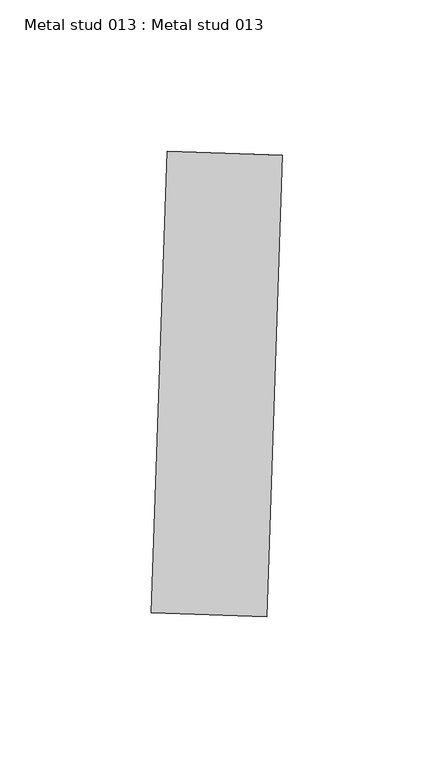
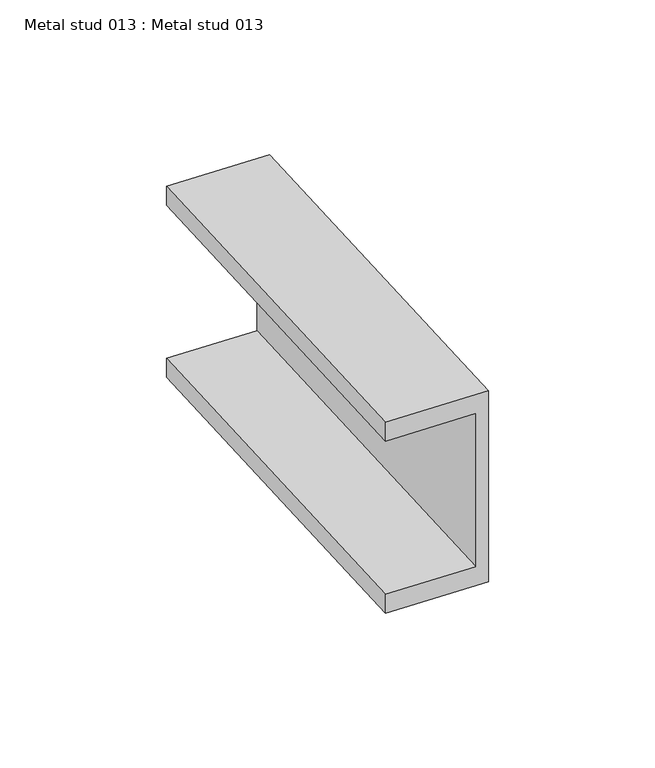
"""IFC4 building model written with IfcOpenShell, lengths in millimetres: proxy geometry, Metal stud 013 : Metal stud 013."""

from ifc_helpers import new_model, si_unit, frame, origin, place, context, project, spatial, polyline, outline, extrude, source, transform, mapped, element, save


def metal_stud_013_metal_stud_013_ba6aac82(model_context):
    return source(origin(), model_context, "Body", "SweptSolid", [
        extrude(outline(polyline([(0.0, 0.0), (0.0, -76.2), (-38.1, -76.2), (-38.1, -68.7), (-4.4999999, -68.7), (-4.4999999, -7.5), (-38.1, -7.5), (-38.1, 0.0), (0.0, 0.0)])), frame((34092.3777319, -15062.9787712, 4025.9), z_axis=(0.034201781836546805, 0.9994149479166325, 0.0), x_axis=(0.9994149479166325, -0.034201781836546805, 0.0)), (0.0, 0.0, 1.0), 152.4),
    ])


if __name__ == "__main__":
    model = new_model("IFC4")
    model_context = context("Model", 3, world=origin())
    ifc_project = project(units=[si_unit("LENGTHUNIT", "METRE", prefix="MILLI")], contexts=[model_context])
    site = spatial("IfcSite", under=ifc_project)
    building = spatial("IfcBuilding", under=site)
    placement = place(None, origin())
    metal_stud_013_metal_stud_013_shape = metal_stud_013_metal_stud_013_ba6aac82(model_context)
    element("IfcBuildingElementProxy", 1, Name="Metal stud 013 : Metal stud 013", ObjectType="Metal stud 013 : Metal stud 013", at=placement, inside=building, context=model_context, shape_type="MappedRepresentation", body=[
        mapped(metal_stud_013_metal_stud_013_shape, transform((0.0, 0.0, 0.0), x_axis=(1.0, 0.0, 0.0), y_axis=(0.0, 1.0, 0.0), z_axis=(0.0, 0.0, 1.0))),
    ])
    save(model, "model.ifc")
